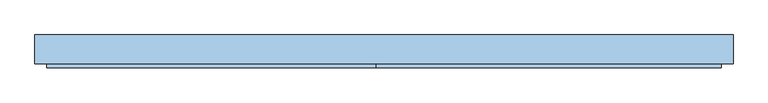
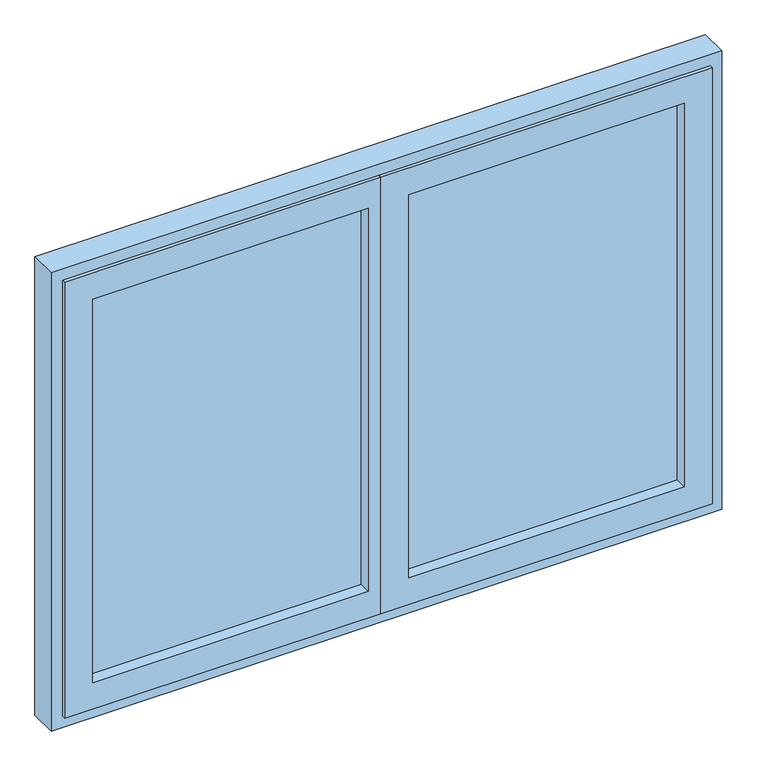
"""IFC4 building model written with IfcOpenShell, lengths in millimetres: window geometry."""

import ifcopenshell
import ifcopenshell.guid

model = None  # the IFC model being written
_history = None  # IfcOwnerHistory: only IFC2X3 demands one
_inside = {}  # id of a spatial element -> (the spatial element, [elements in it])
_under = {}  # id of a project, library or spatial element -> (it, [spatial elements below it])
_declared = {}  # id of a project -> (the project, [libraries it declares])
_typed = {}  # id of a type object -> (the type object, [elements of that type])
_made_of = {}  # id of a material, layer set ... -> (it, [elements and type objects made of it])


def new_model(schema):
    """Start an empty IFC model of exactly this schema.

    Asked for "IFC4X3", IfcOpenShell would pick the latest addendum, in which some entities
    have other attributes; the version numbers below select the first issue.
    IFC2X3 requires an IfcOwnerHistory on every rooted entity: one is made here for all.
    """
    global model, _history
    if schema == "IFC4X3":
        model = ifcopenshell.file(schema_version=(4, 3, 0, 0))
    else:
        model = ifcopenshell.file(schema=schema)
    _inside.clear()
    _under.clear()
    _declared.clear()
    _typed.clear()
    _made_of.clear()
    _history = None
    if model.schema == "IFC2X3":
        org = make("IfcOrganization", Name="unknown")
        user = make(
            "IfcPersonAndOrganization",
            ThePerson=make("IfcPerson", FamilyName="unknown"),
            TheOrganization=org,
        )
        app = make(
            "IfcApplication",
            ApplicationDeveloper=org,
            Version="unknown",
            ApplicationFullName="unknown",
            ApplicationIdentifier="unknown",
        )
        _history = make(
            "IfcOwnerHistory",
            OwningUser=user,
            OwningApplication=app,
            ChangeAction="ADDED",
            CreationDate=0,
        )
    return model


def make(cls, **values):
    """One entity of the class cls with the attributes given. An attribute that is None is left unset."""
    return model.create_entity(
        cls, **{name: value for name, value in values.items() if value is not None}
    )


def rooted(cls, **values):
    """An entity with a GlobalId (a new one), such as an element, a storey or a relation."""
    return make(cls, GlobalId=ifcopenshell.guid.new(), OwnerHistory=_history, **values)


def si_unit(unit_type, name, prefix=None):
    """IfcSIUnit, for example si_unit("LENGTHUNIT", "METRE", prefix="MILLI")."""
    return make("IfcSIUnit", UnitType=unit_type, Prefix=prefix, Name=name)


def assignment(units):
    """IfcUnitAssignment: the units of a project."""
    return None if units is None else make("IfcUnitAssignment", Units=units)


def point(xyz):
    """IfcCartesianPoint."""
    return None if xyz is None else make("IfcCartesianPoint", Coordinates=xyz)


def direction(xyz):
    """IfcDirection."""
    return None if xyz is None else make("IfcDirection", DirectionRatios=xyz)


def frame(location, z_axis=None, x_axis=None):
    """IfcAxis2Placement3D, a coordinate frame: its origin and axes. An axis left out is left unset."""
    return make(
        "IfcAxis2Placement3D",
        Location=point(location),
        Axis=direction(z_axis),
        RefDirection=direction(x_axis),
    )


def origin():
    """The frame at (0, 0, 0) with its axes left unset."""
    return frame((0.0, 0.0, 0.0))


def place(relative_to, where):
    """IfcLocalPlacement: puts the frame where relative to a parent placement (None: the world)."""
    return make(
        "IfcLocalPlacement", PlacementRelTo=relative_to, RelativePlacement=where
    )


def context(
    kind, dimensions, precision=None, world=None, true_north=None, identifier=None
):
    """IfcGeometricRepresentationContext, for example the 3D "Model" context."""
    return make(
        "IfcGeometricRepresentationContext",
        ContextIdentifier=identifier,
        ContextType=kind,
        CoordinateSpaceDimension=dimensions,
        Precision=precision,
        WorldCoordinateSystem=world,
        TrueNorth=true_north,
    )


def project(units=None, contexts=None):
    """IfcProject with its units and contexts."""
    return rooted(
        "IfcProject",
        Name="project",
        RepresentationContexts=contexts,
        UnitsInContext=assignment(units),
    )


def spatial(cls, under=None, at=None, **own):
    """A site, building, storey or space (cls), placed at a placement, below another one or the project."""
    s = rooted(cls, ObjectPlacement=at, **own)
    if under is not None:
        _under.setdefault(under.id(), (under, []))[1].append(s)
    return s


def polyline(points):
    """IfcPolyline through the points."""
    return make("IfcPolyline", Points=[point(p) for p in points])


def outline(outer, holes=None, kind="AREA"):
    """IfcArbitraryClosedProfileDef: a profile drawn as a closed curve; with holes, ...WithVoids."""
    if holes is None:
        return make("IfcArbitraryClosedProfileDef", ProfileType=kind, OuterCurve=outer)
    return make(
        "IfcArbitraryProfileDefWithVoids",
        ProfileType=kind,
        OuterCurve=outer,
        InnerCurves=holes,
    )


def extrude(swept, where, along, depth):
    """IfcExtrudedAreaSolid: the profile swept, set in the frame where, extruded along a direction by depth."""
    return make(
        "IfcExtrudedAreaSolid",
        SweptArea=swept,
        Position=where,
        ExtrudedDirection=direction(along),
        Depth=depth,
    )


def faces_of(points, faces, orient=None, outer=None):
    """IfcFace entities. A face is a list of loops; a loop is a list of indices into points, from 0.

    orient and outer hold one flag for each loop. By default every Orientation is true, the
    first loop of a face is its IfcFaceOuterBound and the others are IfcFaceBound.
    """
    made = []
    for i, loops in enumerate(faces):
        bounds = []
        for j, loop in enumerate(loops):
            is_outer = j == 0 if outer is None else outer[i][j]
            bounds.append(
                make(
                    "IfcFaceOuterBound" if is_outer else "IfcFaceBound",
                    Bound=make("IfcPolyLoop", Polygon=[points[k] for k in loop]),
                    Orientation=True if orient is None else orient[i][j],
                )
            )
        made.append(make("IfcFace", Bounds=bounds))
    return made


def faceted_brep(points, faces, orient=None, outer=None, voids=None):
    """IfcFacetedBrep: a solid bounded by flat faces; with voids (closed shells), ...WithVoids."""
    shared = [point(p) for p in points]
    hull = make("IfcClosedShell", CfsFaces=faces_of(shared, faces, orient, outer))
    if voids is None:
        return make("IfcFacetedBrep", Outer=hull)
    return make(
        "IfcFacetedBrepWithVoids",
        Outer=hull,
        Voids=[
            make(cls, CfsFaces=faces_of(shared, fs, o, b)) for cls, fs, o, b in voids
        ],
    )


def shape(context_of_items, identifier, shape_type, items):
    """IfcShapeRepresentation: the items that make up one representation, for example the "Body"."""
    return make(
        "IfcShapeRepresentation",
        ContextOfItems=context_of_items,
        RepresentationIdentifier=identifier,
        RepresentationType=shape_type,
        Items=items,
    )


def source(mapping_origin, context_of_items, identifier, shape_type, items):
    """IfcRepresentationMap: a shape defined once, which mapped items show again and again."""
    return make(
        "IfcRepresentationMap",
        MappingOrigin=mapping_origin,
        MappedRepresentation=shape(context_of_items, identifier, shape_type, items),
    )


def transform(
    local_origin,
    x_axis=None,
    y_axis=None,
    z_axis=None,
    scale=None,
    scale2=None,
    scale3=None,
    uniform=True,
):
    """IfcCartesianTransformationOperator3D, or its non-uniform kind. x_axis, y_axis, z_axis: its Axis1, 2, 3."""
    if uniform:
        return make(
            "IfcCartesianTransformationOperator3D",
            Axis1=direction(x_axis),
            Axis2=direction(y_axis),
            LocalOrigin=point(local_origin),
            Scale=scale,
            Axis3=direction(z_axis),
        )
    return make(
        "IfcCartesianTransformationOperator3DnonUniform",
        Axis1=direction(x_axis),
        Axis2=direction(y_axis),
        LocalOrigin=point(local_origin),
        Scale=scale,
        Axis3=direction(z_axis),
        Scale2=scale2,
        Scale3=scale3,
    )


def mapped(mapping_source, mapping_target):
    """IfcMappedItem: shows the shape of a source again, moved by a transform."""
    return make(
        "IfcMappedItem", MappingSource=mapping_source, MappingTarget=mapping_target
    )


def made_of(thing, what):
    """Note that an element or type object is made of a material, layer set ...; save() writes the relation."""
    if what is not None:
        _made_of.setdefault(what.id(), (what, []))[1].append(thing)
    return thing


def element(
    cls,
    number,
    at=None,
    inside=None,
    cuts=None,
    type_object=None,
    material=None,
    context=None,
    identifier="Body",
    shape_type=None,
    held_by="IfcProductDefinitionShape",
    body=None,
    shapes=None,
    **own,
):
    """One element of the class cls, such as IfcWall. Its Tag is "e" and its number.

    at: its placement. inside: the storey or other place that contains it. cuts: it is an
    opening in that element (IfcRelVoidsElement). A single representation is given by context,
    identifier, shape_type and body (its items); several are given by shapes. held_by: the class
    of the entity that holds the representations. save() writes the other relations.
    """
    e = rooted(cls, Tag="e%d" % number, ObjectPlacement=at, **own)
    if body is not None:
        shapes = [shape(context, identifier, shape_type, body)]
    if shapes is not None:
        e.Representation = make(held_by, Representations=shapes)
    if inside is not None:
        _inside.setdefault(inside.id(), (inside, []))[1].append(e)
    if cuts is not None:
        rooted(
            "IfcRelVoidsElement", RelatingBuildingElement=cuts, RelatedOpeningElement=e
        )
    if type_object is not None:
        _typed.setdefault(type_object.id(), (type_object, []))[1].append(e)
    return made_of(e, material)


def aggregate(whole, parts):
    """IfcRelAggregates: a whole, such as a stair, and the parts it consists of."""
    return rooted("IfcRelAggregates", RelatingObject=whole, RelatedObjects=parts)


def save(model, path):
    """Write the relations noted so far, then the file.

    IfcRelAggregates (storeys below a building ...), IfcRelContainedInSpatialStructure (elements
    in a storey), IfcRelDefinesByType, IfcRelAssociatesMaterial and IfcRelDeclares: one each for
    every whole, place, type object, material and project.
    """
    for whole, parts in _under.values():
        aggregate(whole, parts)
    for where, things in _inside.values():
        rooted(
            "IfcRelContainedInSpatialStructure",
            RelatedElements=things,
            RelatingStructure=where,
        )
    for kind, things in _typed.values():
        rooted("IfcRelDefinesByType", RelatedObjects=things, RelatingType=kind)
    for what, things in _made_of.values():
        rooted("IfcRelAssociatesMaterial", RelatedObjects=things, RelatingMaterial=what)
    for by, libraries in _declared.values():
        rooted("IfcRelDeclares", RelatingContext=by, RelatedDefinitions=libraries)
    model.write(path)


def window_6294d2be(model_context):
    return source(origin(), model_context, "Body", "SolidModel", [
        extrude(outline(polyline([(794.0, -9.7), (54.5, -9.7), (54.5, -3.7), (794.0, -3.7), (794.0, -9.7)])), frame((0.0, 0.0, 1006.0), z_axis=(0.0, 0.0, 1.0), x_axis=(1.0, 0.0, 0.0)), (0.0, 0.0, 1.0), 1088.0),
        extrude(outline(polyline([(-54.5, -9.7), (-794.0, -9.7), (-794.0, -3.7), (-54.5, -3.7), (-54.5, -9.7)])), frame((0.0, 0.0, 1006.0), z_axis=(0.0, 0.0, 1.0), x_axis=(1.0, 0.0, 0.0)), (0.0, 0.0, 1.0), 1088.0),
        extrude(outline(polyline([(794.0, 9.3), (54.5, 9.3), (54.5, 15.3), (794.0, 15.3), (794.0, 9.3)])), frame((0.0, 0.0, 1006.0), z_axis=(0.0, 0.0, 1.0), x_axis=(1.0, 0.0, 0.0)), (0.0, 0.0, 1.0), 1088.0),
        extrude(outline(polyline([(-54.5, 9.3), (-794.0, 9.3), (-794.0, 15.3), (-54.5, 15.3), (-54.5, 9.3)])), frame((0.0, 0.0, 1006.0), z_axis=(0.0, 0.0, 1.0), x_axis=(1.0, 0.0, 0.0)), (0.0, 0.0, 1.0), 1088.0),
        extrude(outline(polyline([(794.0, 28.3), (54.5, 28.3), (54.5, 34.3), (794.0, 34.3), (794.0, 28.3)])), frame((0.0, 0.0, 1006.0), z_axis=(0.0, 0.0, 1.0), x_axis=(1.0, 0.0, 0.0)), (0.0, 0.0, 1.0), 1088.0),
        extrude(outline(polyline([(-54.5, 28.3), (-794.0, 28.3), (-794.0, 34.3), (-54.5, 34.3), (-54.5, 28.3)])), frame((0.0, 0.0, 1006.0), z_axis=(0.0, 0.0, 1.0), x_axis=(1.0, 0.0, 0.0)), (0.0, 0.0, 1.0), 1088.0),
        faceted_brep([(869.0, -32.7, 2169.0), (869.0, -42.2, 2169.0), (869.0, -42.2, 931.0), (869.0, -32.7, 931.0), (-20.5, -42.2, 2169.0), (-20.5, -42.2, 931.0), (794.0, -42.2, 1006.0), (54.5, -42.2, 1006.0), (54.5, -42.2, 2094.0), (794.0, -42.2, 2094.0), (-20.5, -32.7, 931.0), (-20.5, -32.7, 2169.0), (844.0, -32.7, 2144.0), (4.5, -32.7, 2144.0), (4.5, -32.7, 956.0), (844.0, -32.7, 956.0), (844.0, 37.3, 2144.0), (844.0, 37.3, 956.0), (4.5, 37.3, 956.0), (4.5, 37.3, 2144.0), (836.0, 37.3, 2136.0), (12.5, 37.3, 2136.0), (12.5, 37.3, 964.0), (836.0, 37.3, 964.0), (836.0, 42.3, 2136.0), (836.0, 42.3, 964.0), (12.5, 42.3, 964.0), (12.5, 42.3, 2136.0), (794.0, 42.3, 2094.0), (54.5, 42.3, 2094.0), (54.5, 42.3, 1006.0), (794.0, 42.3, 1006.0)], [[[0, 1, 2, 3]], [[1, 4, 5, 2], [6, 7, 8, 9]], [[3, 2, 5, 10]], [[3, 10, 11, 0], [12, 13, 14, 15]], [[16, 12, 15, 17]], [[17, 15, 14, 18]], [[17, 18, 19, 16], [20, 21, 22, 23]], [[24, 20, 23, 25]], [[25, 23, 22, 26]], [[25, 26, 27, 24], [28, 29, 30, 31]], [[9, 28, 31, 6]], [[6, 31, 30, 7]], [[10, 5, 4, 11]], [[18, 14, 13, 19]], [[26, 22, 21, 27]], [[7, 30, 29, 8]], [[11, 4, 1, 0]], [[19, 13, 12, 16]], [[27, 21, 20, 24]], [[8, 29, 28, 9]]]),
        extrude(outline(polyline([(29.5, 42.3), (29.5, 37.3), (27.5, 37.3), (27.5, -7.7), (8.5, -7.7), (8.5, -32.7), (-4.5, -32.7), (-4.5, 37.3), (-29.5, 37.3), (-29.5, 42.3), (29.5, 42.3)])), frame((0.0, 0.0, 959.0), z_axis=(0.0, 0.0, 1.0), x_axis=(1.0, 0.0, 0.0)), (0.0, 0.0, 1.0), 1182.0),
        faceted_brep([(20.5, -32.7, 2169.0), (20.5, -42.2, 2169.0), (20.5, -42.2, 931.0), (20.5, -32.7, 931.0), (-869.0, -42.2, 2169.0), (-869.0, -42.2, 931.0), (-54.5, -42.2, 1006.0), (-794.0, -42.2, 1006.0), (-794.0, -42.2, 2094.0), (-54.5, -42.2, 2094.0), (-869.0, -32.7, 931.0), (-869.0, -32.7, 2169.0), (-4.5, -32.7, 2144.0), (-844.0, -32.7, 2144.0), (-844.0, -32.7, 956.0), (-4.5, -32.7, 956.0), (-4.5, 37.3, 2144.0), (-4.5, 37.3, 956.0), (-844.0, 37.3, 956.0), (-844.0, 37.3, 2144.0), (-12.5, 37.3, 2136.0), (-836.0, 37.3, 2136.0), (-836.0, 37.3, 964.0), (-12.5, 37.3, 964.0), (-12.5, 42.3, 2136.0), (-12.5, 42.3, 964.0), (-836.0, 42.3, 964.0), (-836.0, 42.3, 2136.0), (-54.5, 42.3, 2094.0), (-794.0, 42.3, 2094.0), (-794.0, 42.3, 1006.0), (-54.5, 42.3, 1006.0)], [[[0, 1, 2, 3]], [[1, 4, 5, 2], [6, 7, 8, 9]], [[3, 2, 5, 10]], [[3, 10, 11, 0], [12, 13, 14, 15]], [[16, 12, 15, 17]], [[17, 15, 14, 18]], [[17, 18, 19, 16], [20, 21, 22, 23]], [[24, 20, 23, 25]], [[25, 23, 22, 26]], [[25, 26, 27, 24], [28, 29, 30, 31]], [[9, 28, 31, 6]], [[6, 31, 30, 7]], [[10, 5, 4, 11]], [[18, 14, 13, 19]], [[26, 22, 21, 27]], [[7, 30, 29, 8]], [[11, 4, 1, 0]], [[19, 13, 12, 16]], [[27, 21, 20, 24]], [[8, 29, 28, 9]]]),
        faceted_brep([(-900.0, -32.7, 900.0), (-900.0, 42.3, 900.0), (900.0, 42.3, 900.0), (900.0, -32.7, 900.0), (900.0, 42.3, 2200.0), (900.0, -32.7, 2200.0), (-900.0, 42.3, 2200.0), (841.0, 42.3, 2141.0), (-841.0, 42.3, 2141.0), (-841.0, 42.3, 959.0), (841.0, 42.3, 959.0), (-900.0, -32.7, 2200.0), (863.0, -32.7, 937.0), (-863.0, -32.7, 937.0), (-863.0, -32.7, 2163.0), (863.0, -32.7, 2163.0), (-863.0, 37.3, 937.0), (863.0, 37.3, 937.0), (863.0, 37.3, 2163.0), (-863.0, 37.3, 2163.0), (841.0, 37.3, 959.0), (-841.0, 37.3, 959.0), (-841.0, 37.3, 2141.0), (841.0, 37.3, 2141.0)], [[[0, 1, 2, 3]], [[3, 2, 4, 5]], [[2, 1, 6, 4], [7, 8, 9, 10]], [[5, 11, 0, 3], [12, 13, 14, 15]], [[16, 13, 12, 17]], [[17, 12, 15, 18]], [[18, 19, 16, 17], [20, 21, 22, 23]], [[9, 21, 20, 10]], [[10, 20, 23, 7]], [[11, 6, 1, 0]], [[19, 14, 13, 16]], [[8, 22, 21, 9]], [[5, 4, 6, 11]], [[18, 15, 14, 19]], [[7, 23, 22, 8]]]),
    ])


if __name__ == "__main__":
    model = new_model("IFC4")
    model_context = context("Model", 3, world=origin())
    ifc_project = project(units=[si_unit("LENGTHUNIT", "METRE", prefix="MILLI")], contexts=[model_context])
    site = spatial("IfcSite", under=ifc_project)
    building = spatial("IfcBuilding", under=site)
    placement = place(None, origin())
    window_shape = window_6294d2be(model_context)
    element("IfcWindow", 1, at=placement, inside=building, context=model_context, shape_type="MappedRepresentation", body=[
        mapped(window_shape, transform((0.0, 0.0, 0.0), x_axis=(1.0, 0.0, 0.0), y_axis=(0.0, 1.0, 0.0), z_axis=(0.0, 0.0, 1.0))),
    ])
    save(model, "model.ifc")
